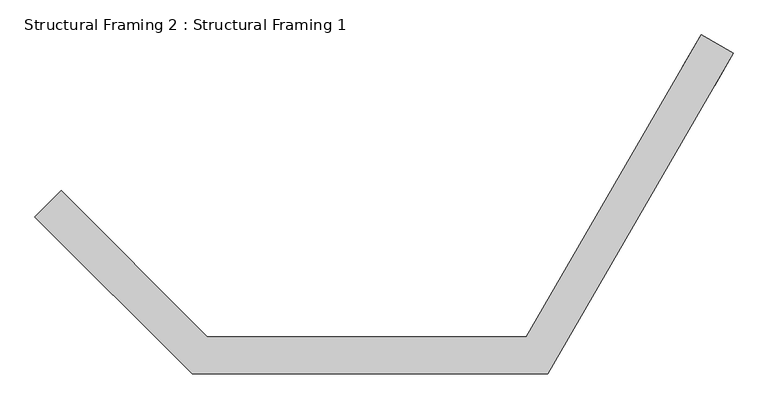
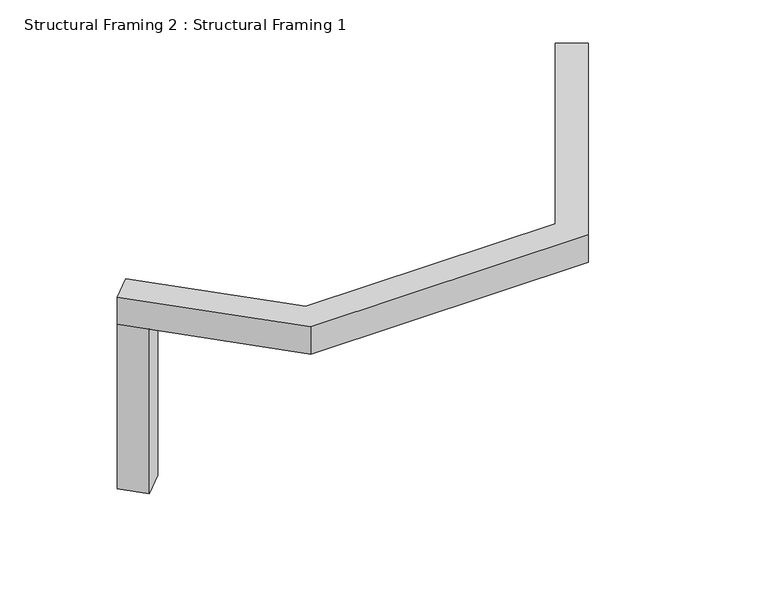
"""IFC4 building model written with IfcOpenShell, lengths in millimetres: beam geometry, Structural Framing 2 : Structural Framing 1."""

from ifc_helpers import new_model, si_unit, frame, origin, origin_with_axes, place, context, project, spatial, polyline, outline, extrude, source, transform, mapped, element, save


def structural_framing_2_structural_framing_1_cbd13180(model_context):
    return source(origin(), model_context, "Body", "SweptSolid", [
        extrude(outline(polyline([(323.9790976, 1893.6440172), (573.9790976, 2326.6567191), (1006.9917995, 2076.6567191), (756.9917995, 1643.6440172), (323.9790976, 1893.6440172)])), origin_with_axes(), (0.0, 0.0, 1.0), 3000.0),
        extrude(outline(polyline([(-8414.3107217, -132.1451612), (-8060.7573311, 221.4082294), (-7707.2039405, -132.1451612), (-8060.7573311, -485.6985518), (-8414.3107217, -132.1451612)])), origin_with_axes(), (0.0, 0.0, 1.0), 3000.0),
        extrude(outline(polyline([(-8414.3107217, -132.1451612), (-8060.7573311, 221.4082294), (-6085.8788019, -1753.4702998), (-1781.6833351, -1753.4702998), (573.9790976, 2326.6567191), (1006.9917995, 2076.6567191), (-1493.0082005, -2253.4702998), (-6292.9855831, -2253.4702998), (-8414.3107217, -132.1451612)])), frame((0.0, 0.0, 3000.0), z_axis=(0.0, 0.0, 1.0), x_axis=(1.0, 0.0, 0.0)), (0.0, 0.0, 1.0), 500.0),
    ])


if __name__ == "__main__":
    model = new_model("IFC4")
    model_context = context("Model", 3, world=origin())
    ifc_project = project(units=[si_unit("LENGTHUNIT", "METRE", prefix="MILLI")], contexts=[model_context])
    site = spatial("IfcSite", under=ifc_project)
    building = spatial("IfcBuilding", under=site)
    placement = place(None, origin())
    structural_framing_2_structural_framing_1_shape = structural_framing_2_structural_framing_1_cbd13180(model_context)
    element("IfcBeam", 1, ObjectType="Structural Framing 2 : Structural Framing 1", at=placement, inside=building, context=model_context, shape_type="MappedRepresentation", body=[
        mapped(structural_framing_2_structural_framing_1_shape, transform((0.0, 0.0, 0.0), x_axis=(1.0, 0.0, 0.0), y_axis=(0.0, 1.0, 0.0), z_axis=(0.0, 0.0, 1.0))),
    ])
    save(model, "model.ifc")
